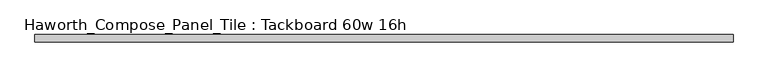
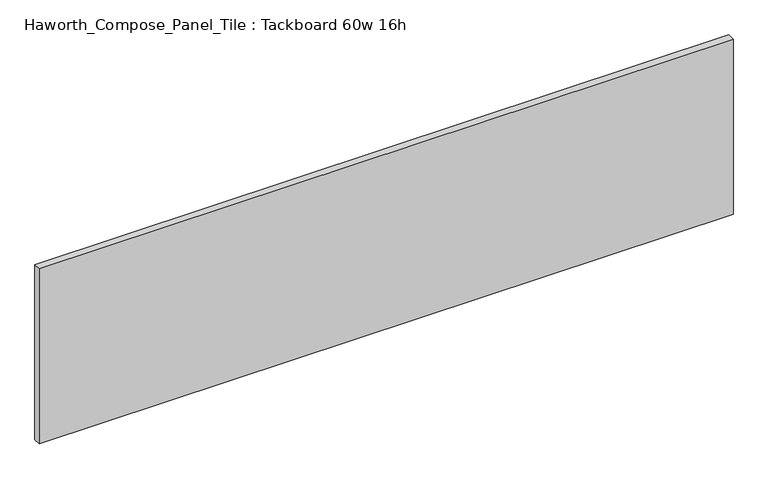
"""IFC4 building model written with IfcOpenShell, lengths in millimetres: furniture geometry, Haworth_Compose_Panel_Tile : Tackboard 60w 16h."""

import ifcopenshell
import ifcopenshell.guid

model = None  # the IFC model being written
_history = None  # IfcOwnerHistory: only IFC2X3 demands one
_inside = {}  # id of a spatial element -> (the spatial element, [elements in it])
_under = {}  # id of a project, library or spatial element -> (it, [spatial elements below it])
_declared = {}  # id of a project -> (the project, [libraries it declares])
_typed = {}  # id of a type object -> (the type object, [elements of that type])
_made_of = {}  # id of a material, layer set ... -> (it, [elements and type objects made of it])


def new_model(schema):
    """Start an empty IFC model of exactly this schema.

    Asked for "IFC4X3", IfcOpenShell would pick the latest addendum, in which some entities
    have other attributes; the version numbers below select the first issue.
    IFC2X3 requires an IfcOwnerHistory on every rooted entity: one is made here for all.
    """
    global model, _history
    if schema == "IFC4X3":
        model = ifcopenshell.file(schema_version=(4, 3, 0, 0))
    else:
        model = ifcopenshell.file(schema=schema)
    _inside.clear()
    _under.clear()
    _declared.clear()
    _typed.clear()
    _made_of.clear()
    _history = None
    if model.schema == "IFC2X3":
        org = make("IfcOrganization", Name="unknown")
        user = make(
            "IfcPersonAndOrganization",
            ThePerson=make("IfcPerson", FamilyName="unknown"),
            TheOrganization=org,
        )
        app = make(
            "IfcApplication",
            ApplicationDeveloper=org,
            Version="unknown",
            ApplicationFullName="unknown",
            ApplicationIdentifier="unknown",
        )
        _history = make(
            "IfcOwnerHistory",
            OwningUser=user,
            OwningApplication=app,
            ChangeAction="ADDED",
            CreationDate=0,
        )
    return model


def make(cls, **values):
    """One entity of the class cls with the attributes given. An attribute that is None is left unset."""
    return model.create_entity(
        cls, **{name: value for name, value in values.items() if value is not None}
    )


def rooted(cls, **values):
    """An entity with a GlobalId (a new one), such as an element, a storey or a relation."""
    return make(cls, GlobalId=ifcopenshell.guid.new(), OwnerHistory=_history, **values)


def si_unit(unit_type, name, prefix=None):
    """IfcSIUnit, for example si_unit("LENGTHUNIT", "METRE", prefix="MILLI")."""
    return make("IfcSIUnit", UnitType=unit_type, Prefix=prefix, Name=name)


def assignment(units):
    """IfcUnitAssignment: the units of a project."""
    return None if units is None else make("IfcUnitAssignment", Units=units)


def point(xyz):
    """IfcCartesianPoint."""
    return None if xyz is None else make("IfcCartesianPoint", Coordinates=xyz)


def direction(xyz):
    """IfcDirection."""
    return None if xyz is None else make("IfcDirection", DirectionRatios=xyz)


def frame(location, z_axis=None, x_axis=None):
    """IfcAxis2Placement3D, a coordinate frame: its origin and axes. An axis left out is left unset."""
    return make(
        "IfcAxis2Placement3D",
        Location=point(location),
        Axis=direction(z_axis),
        RefDirection=direction(x_axis),
    )


def origin():
    """The frame at (0, 0, 0) with its axes left unset."""
    return frame((0.0, 0.0, 0.0))


def place(relative_to, where):
    """IfcLocalPlacement: puts the frame where relative to a parent placement (None: the world)."""
    return make(
        "IfcLocalPlacement", PlacementRelTo=relative_to, RelativePlacement=where
    )


def context(
    kind, dimensions, precision=None, world=None, true_north=None, identifier=None
):
    """IfcGeometricRepresentationContext, for example the 3D "Model" context."""
    return make(
        "IfcGeometricRepresentationContext",
        ContextIdentifier=identifier,
        ContextType=kind,
        CoordinateSpaceDimension=dimensions,
        Precision=precision,
        WorldCoordinateSystem=world,
        TrueNorth=true_north,
    )


def project(units=None, contexts=None):
    """IfcProject with its units and contexts."""
    return rooted(
        "IfcProject",
        Name="project",
        RepresentationContexts=contexts,
        UnitsInContext=assignment(units),
    )


def spatial(cls, under=None, at=None, **own):
    """A site, building, storey or space (cls), placed at a placement, below another one or the project."""
    s = rooted(cls, ObjectPlacement=at, **own)
    if under is not None:
        _under.setdefault(under.id(), (under, []))[1].append(s)
    return s


def polyline(points):
    """IfcPolyline through the points."""
    return make("IfcPolyline", Points=[point(p) for p in points])


def outline(outer, holes=None, kind="AREA"):
    """IfcArbitraryClosedProfileDef: a profile drawn as a closed curve; with holes, ...WithVoids."""
    if holes is None:
        return make("IfcArbitraryClosedProfileDef", ProfileType=kind, OuterCurve=outer)
    return make(
        "IfcArbitraryProfileDefWithVoids",
        ProfileType=kind,
        OuterCurve=outer,
        InnerCurves=holes,
    )


def extrude(swept, where, along, depth):
    """IfcExtrudedAreaSolid: the profile swept, set in the frame where, extruded along a direction by depth."""
    return make(
        "IfcExtrudedAreaSolid",
        SweptArea=swept,
        Position=where,
        ExtrudedDirection=direction(along),
        Depth=depth,
    )


def shape(context_of_items, identifier, shape_type, items):
    """IfcShapeRepresentation: the items that make up one representation, for example the "Body"."""
    return make(
        "IfcShapeRepresentation",
        ContextOfItems=context_of_items,
        RepresentationIdentifier=identifier,
        RepresentationType=shape_type,
        Items=items,
    )


def source(mapping_origin, context_of_items, identifier, shape_type, items):
    """IfcRepresentationMap: a shape defined once, which mapped items show again and again."""
    return make(
        "IfcRepresentationMap",
        MappingOrigin=mapping_origin,
        MappedRepresentation=shape(context_of_items, identifier, shape_type, items),
    )


def transform(
    local_origin,
    x_axis=None,
    y_axis=None,
    z_axis=None,
    scale=None,
    scale2=None,
    scale3=None,
    uniform=True,
):
    """IfcCartesianTransformationOperator3D, or its non-uniform kind. x_axis, y_axis, z_axis: its Axis1, 2, 3."""
    if uniform:
        return make(
            "IfcCartesianTransformationOperator3D",
            Axis1=direction(x_axis),
            Axis2=direction(y_axis),
            LocalOrigin=point(local_origin),
            Scale=scale,
            Axis3=direction(z_axis),
        )
    return make(
        "IfcCartesianTransformationOperator3DnonUniform",
        Axis1=direction(x_axis),
        Axis2=direction(y_axis),
        LocalOrigin=point(local_origin),
        Scale=scale,
        Axis3=direction(z_axis),
        Scale2=scale2,
        Scale3=scale3,
    )


def mapped(mapping_source, mapping_target):
    """IfcMappedItem: shows the shape of a source again, moved by a transform."""
    return make(
        "IfcMappedItem", MappingSource=mapping_source, MappingTarget=mapping_target
    )


def made_of(thing, what):
    """Note that an element or type object is made of a material, layer set ...; save() writes the relation."""
    if what is not None:
        _made_of.setdefault(what.id(), (what, []))[1].append(thing)
    return thing


def element(
    cls,
    number,
    at=None,
    inside=None,
    cuts=None,
    type_object=None,
    material=None,
    context=None,
    identifier="Body",
    shape_type=None,
    held_by="IfcProductDefinitionShape",
    body=None,
    shapes=None,
    **own,
):
    """One element of the class cls, such as IfcWall. Its Tag is "e" and its number.

    at: its placement. inside: the storey or other place that contains it. cuts: it is an
    opening in that element (IfcRelVoidsElement). A single representation is given by context,
    identifier, shape_type and body (its items); several are given by shapes. held_by: the class
    of the entity that holds the representations. save() writes the other relations.
    """
    e = rooted(cls, Tag="e%d" % number, ObjectPlacement=at, **own)
    if body is not None:
        shapes = [shape(context, identifier, shape_type, body)]
    if shapes is not None:
        e.Representation = make(held_by, Representations=shapes)
    if inside is not None:
        _inside.setdefault(inside.id(), (inside, []))[1].append(e)
    if cuts is not None:
        rooted(
            "IfcRelVoidsElement", RelatingBuildingElement=cuts, RelatedOpeningElement=e
        )
    if type_object is not None:
        _typed.setdefault(type_object.id(), (type_object, []))[1].append(e)
    return made_of(e, material)


def aggregate(whole, parts):
    """IfcRelAggregates: a whole, such as a stair, and the parts it consists of."""
    return rooted("IfcRelAggregates", RelatingObject=whole, RelatedObjects=parts)


def save(model, path):
    """Write the relations noted so far, then the file.

    IfcRelAggregates (storeys below a building ...), IfcRelContainedInSpatialStructure (elements
    in a storey), IfcRelDefinesByType, IfcRelAssociatesMaterial and IfcRelDeclares: one each for
    every whole, place, type object, material and project.
    """
    for whole, parts in _under.values():
        aggregate(whole, parts)
    for where, things in _inside.values():
        rooted(
            "IfcRelContainedInSpatialStructure",
            RelatedElements=things,
            RelatingStructure=where,
        )
    for kind, things in _typed.values():
        rooted("IfcRelDefinesByType", RelatedObjects=things, RelatingType=kind)
    for what, things in _made_of.values():
        rooted("IfcRelAssociatesMaterial", RelatedObjects=things, RelatingMaterial=what)
    for by, libraries in _declared.values():
        rooted("IfcRelDeclares", RelatingContext=by, RelatedDefinitions=libraries)
    model.write(path)


def haworth_compose_panel_tile_tackboard_60w_16h_c49ae789(model_context):
    return source(origin(), model_context, "Body", "SweptSolid", [
        extrude(outline(polyline([(764.4402902, -28.8968594), (-759.5597098, -28.8968594), (-759.5597098, -13.0218594), (764.4402902, -13.0218594), (764.4402902, -28.8968594)])), frame((0.0, 0.0, 1066.8), z_axis=(0.0, 0.0, 1.0), x_axis=(1.0, 0.0, 0.0)), (0.0, 0.0, 1.0), 406.4),
    ])


if __name__ == "__main__":
    model = new_model("IFC4")
    model_context = context("Model", 3, world=origin())
    ifc_project = project(units=[si_unit("LENGTHUNIT", "METRE", prefix="MILLI")], contexts=[model_context])
    site = spatial("IfcSite", under=ifc_project)
    building = spatial("IfcBuilding", under=site)
    placement = place(None, origin())
    haworth_compose_panel_tile_tackboard_60w_16h_shape = haworth_compose_panel_tile_tackboard_60w_16h_c49ae789(model_context)
    element("IfcFurniture", 1, ObjectType="Haworth_Compose_Panel_Tile : Tackboard 60w 16h", at=placement, inside=building, context=model_context, shape_type="MappedRepresentation", body=[
        mapped(haworth_compose_panel_tile_tackboard_60w_16h_shape, transform((0.0, 0.0, 0.0), x_axis=(1.0, 0.0, 0.0), y_axis=(0.0, 1.0, 0.0), z_axis=(0.0, 0.0, 1.0))),
    ])
    save(model, "model.ifc")
